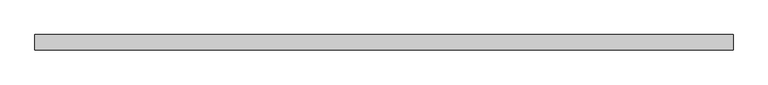
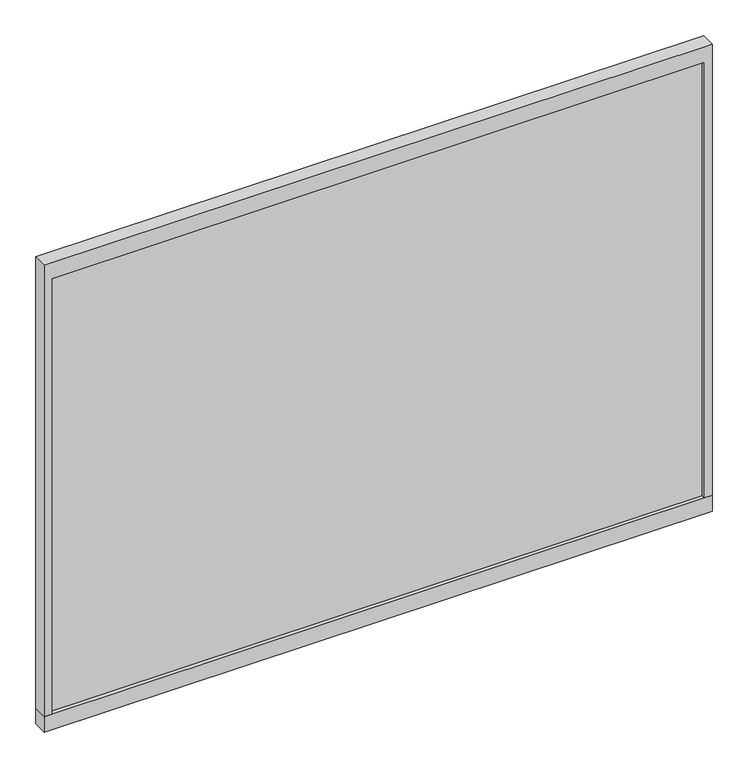
"""IFC4 building model written with IfcOpenShell, lengths in millimetres: furniture geometry."""

from ifc_helpers import new_model, si_unit, frame, origin, place, context, project, spatial, polyline, outline, extrude, source, transform, mapped, element, save


def furniture_157c06c8(model_context):
    return source(origin(), model_context, "Body", "SweptSolid", [
        extrude(outline(polyline([(1100.137525, 5.1435002), (1100.137525, 0.0), (42.8625, 0.0), (42.8625, 5.1435002), (1100.137525, 5.1435002)])), frame((0.0, 0.0, 1274.7752006), z_axis=(0.0, 0.0, 1.0), x_axis=(1.0, 0.0, 0.0)), (0.0, 0.0, 1.0), 746.0995579),
        extrude(outline(polyline([(1100.137525, -5.1435002), (42.8625, -5.1435002), (42.8625, 0.0), (1100.137525, 0.0), (1100.137525, -5.1435002)])), frame((0.0, 0.0, 1274.7752006), z_axis=(0.0, 0.0, 1.0), x_axis=(1.0, 0.0, 0.0)), (0.0, 0.0, 1.0), 746.0995579),
        extrude(outline(polyline([(1274.7752006, 1112.8375242), (2047.875, 1112.8375242), (2047.875, 30.1625008), (1274.7752006, 30.1625008), (1274.7752006, 42.8625), (2020.8747585, 42.8625), (2020.8747585, 1100.137525), (1274.7752006, 1100.137525), (1274.7752006, 1112.8375242)])), frame((0.0, -11.938, 0.0), z_axis=(0.0, 1.0, 0.0), x_axis=(0.0, 0.0, 1.0)), (0.0, 0.0, 1.0), 23.876),
        extrude(outline(polyline([(30.1625008, -11.938), (30.1625008, 11.938), (1112.8375242, 11.938), (1112.8375242, -11.938), (30.1625008, -11.938)])), frame((0.0, 0.0, 1247.775), z_axis=(0.0, 0.0, 1.0), x_axis=(1.0, 0.0, 0.0)), (0.0, 0.0, 1.0), 27.0002006),
    ])


if __name__ == "__main__":
    model = new_model("IFC4")
    model_context = context("Model", 3, world=origin())
    ifc_project = project(units=[si_unit("LENGTHUNIT", "METRE", prefix="MILLI")], contexts=[model_context])
    site = spatial("IfcSite", under=ifc_project)
    building = spatial("IfcBuilding", under=site)
    placement = place(None, origin())
    furniture_shape = furniture_157c06c8(model_context)
    element("IfcFurniture", 1, at=placement, inside=building, context=model_context, shape_type="MappedRepresentation", body=[
        mapped(furniture_shape, transform((0.0, 0.0, 0.0), x_axis=(1.0, 0.0, 0.0), y_axis=(0.0, 1.0, 0.0), z_axis=(0.0, 0.0, 1.0))),
    ])
    save(model, "model.ifc")
